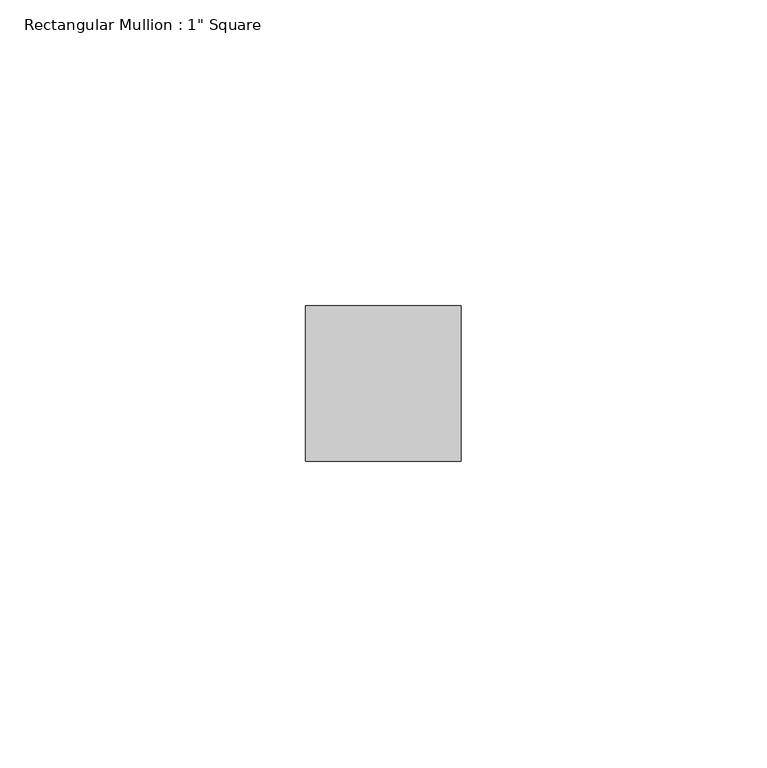
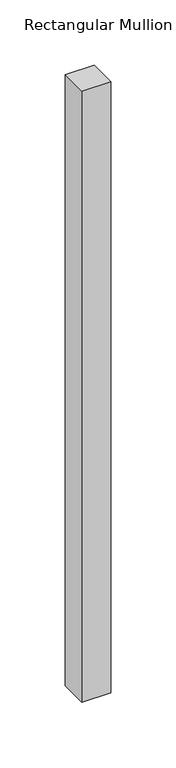
"""IFC4 building model written with IfcOpenShell, lengths in millimetres: member geometry."""

import ifcopenshell
import ifcopenshell.guid

model = None  # the IFC model being written
_history = None  # IfcOwnerHistory: only IFC2X3 demands one
_inside = {}  # id of a spatial element -> (the spatial element, [elements in it])
_under = {}  # id of a project, library or spatial element -> (it, [spatial elements below it])
_declared = {}  # id of a project -> (the project, [libraries it declares])
_typed = {}  # id of a type object -> (the type object, [elements of that type])
_made_of = {}  # id of a material, layer set ... -> (it, [elements and type objects made of it])


def new_model(schema):
    """Start an empty IFC model of exactly this schema.

    Asked for "IFC4X3", IfcOpenShell would pick the latest addendum, in which some entities
    have other attributes; the version numbers below select the first issue.
    IFC2X3 requires an IfcOwnerHistory on every rooted entity: one is made here for all.
    """
    global model, _history
    if schema == "IFC4X3":
        model = ifcopenshell.file(schema_version=(4, 3, 0, 0))
    else:
        model = ifcopenshell.file(schema=schema)
    _inside.clear()
    _under.clear()
    _declared.clear()
    _typed.clear()
    _made_of.clear()
    _history = None
    if model.schema == "IFC2X3":
        org = make("IfcOrganization", Name="unknown")
        user = make(
            "IfcPersonAndOrganization",
            ThePerson=make("IfcPerson", FamilyName="unknown"),
            TheOrganization=org,
        )
        app = make(
            "IfcApplication",
            ApplicationDeveloper=org,
            Version="unknown",
            ApplicationFullName="unknown",
            ApplicationIdentifier="unknown",
        )
        _history = make(
            "IfcOwnerHistory",
            OwningUser=user,
            OwningApplication=app,
            ChangeAction="ADDED",
            CreationDate=0,
        )
    return model


def make(cls, **values):
    """One entity of the class cls with the attributes given. An attribute that is None is left unset."""
    return model.create_entity(
        cls, **{name: value for name, value in values.items() if value is not None}
    )


def rooted(cls, **values):
    """An entity with a GlobalId (a new one), such as an element, a storey or a relation."""
    return make(cls, GlobalId=ifcopenshell.guid.new(), OwnerHistory=_history, **values)


def si_unit(unit_type, name, prefix=None):
    """IfcSIUnit, for example si_unit("LENGTHUNIT", "METRE", prefix="MILLI")."""
    return make("IfcSIUnit", UnitType=unit_type, Prefix=prefix, Name=name)


def assignment(units):
    """IfcUnitAssignment: the units of a project."""
    return None if units is None else make("IfcUnitAssignment", Units=units)


def point(xyz):
    """IfcCartesianPoint."""
    return None if xyz is None else make("IfcCartesianPoint", Coordinates=xyz)


def direction(xyz):
    """IfcDirection."""
    return None if xyz is None else make("IfcDirection", DirectionRatios=xyz)


def frame(location, z_axis=None, x_axis=None):
    """IfcAxis2Placement3D, a coordinate frame: its origin and axes. An axis left out is left unset."""
    return make(
        "IfcAxis2Placement3D",
        Location=point(location),
        Axis=direction(z_axis),
        RefDirection=direction(x_axis),
    )


def origin():
    """The frame at (0, 0, 0) with its axes left unset."""
    return frame((0.0, 0.0, 0.0))


def place(relative_to, where):
    """IfcLocalPlacement: puts the frame where relative to a parent placement (None: the world)."""
    return make(
        "IfcLocalPlacement", PlacementRelTo=relative_to, RelativePlacement=where
    )


def context(
    kind, dimensions, precision=None, world=None, true_north=None, identifier=None
):
    """IfcGeometricRepresentationContext, for example the 3D "Model" context."""
    return make(
        "IfcGeometricRepresentationContext",
        ContextIdentifier=identifier,
        ContextType=kind,
        CoordinateSpaceDimension=dimensions,
        Precision=precision,
        WorldCoordinateSystem=world,
        TrueNorth=true_north,
    )


def project(units=None, contexts=None):
    """IfcProject with its units and contexts."""
    return rooted(
        "IfcProject",
        Name="project",
        RepresentationContexts=contexts,
        UnitsInContext=assignment(units),
    )


def spatial(cls, under=None, at=None, **own):
    """A site, building, storey or space (cls), placed at a placement, below another one or the project."""
    s = rooted(cls, ObjectPlacement=at, **own)
    if under is not None:
        _under.setdefault(under.id(), (under, []))[1].append(s)
    return s


def polyline(points):
    """IfcPolyline through the points."""
    return make("IfcPolyline", Points=[point(p) for p in points])


def outline(outer, holes=None, kind="AREA"):
    """IfcArbitraryClosedProfileDef: a profile drawn as a closed curve; with holes, ...WithVoids."""
    if holes is None:
        return make("IfcArbitraryClosedProfileDef", ProfileType=kind, OuterCurve=outer)
    return make(
        "IfcArbitraryProfileDefWithVoids",
        ProfileType=kind,
        OuterCurve=outer,
        InnerCurves=holes,
    )


def extrude(swept, where, along, depth):
    """IfcExtrudedAreaSolid: the profile swept, set in the frame where, extruded along a direction by depth."""
    return make(
        "IfcExtrudedAreaSolid",
        SweptArea=swept,
        Position=where,
        ExtrudedDirection=direction(along),
        Depth=depth,
    )


def shape(context_of_items, identifier, shape_type, items):
    """IfcShapeRepresentation: the items that make up one representation, for example the "Body"."""
    return make(
        "IfcShapeRepresentation",
        ContextOfItems=context_of_items,
        RepresentationIdentifier=identifier,
        RepresentationType=shape_type,
        Items=items,
    )


def source(mapping_origin, context_of_items, identifier, shape_type, items):
    """IfcRepresentationMap: a shape defined once, which mapped items show again and again."""
    return make(
        "IfcRepresentationMap",
        MappingOrigin=mapping_origin,
        MappedRepresentation=shape(context_of_items, identifier, shape_type, items),
    )


def transform(
    local_origin,
    x_axis=None,
    y_axis=None,
    z_axis=None,
    scale=None,
    scale2=None,
    scale3=None,
    uniform=True,
):
    """IfcCartesianTransformationOperator3D, or its non-uniform kind. x_axis, y_axis, z_axis: its Axis1, 2, 3."""
    if uniform:
        return make(
            "IfcCartesianTransformationOperator3D",
            Axis1=direction(x_axis),
            Axis2=direction(y_axis),
            LocalOrigin=point(local_origin),
            Scale=scale,
            Axis3=direction(z_axis),
        )
    return make(
        "IfcCartesianTransformationOperator3DnonUniform",
        Axis1=direction(x_axis),
        Axis2=direction(y_axis),
        LocalOrigin=point(local_origin),
        Scale=scale,
        Axis3=direction(z_axis),
        Scale2=scale2,
        Scale3=scale3,
    )


def mapped(mapping_source, mapping_target):
    """IfcMappedItem: shows the shape of a source again, moved by a transform."""
    return make(
        "IfcMappedItem", MappingSource=mapping_source, MappingTarget=mapping_target
    )


def made_of(thing, what):
    """Note that an element or type object is made of a material, layer set ...; save() writes the relation."""
    if what is not None:
        _made_of.setdefault(what.id(), (what, []))[1].append(thing)
    return thing


def element(
    cls,
    number,
    at=None,
    inside=None,
    cuts=None,
    type_object=None,
    material=None,
    context=None,
    identifier="Body",
    shape_type=None,
    held_by="IfcProductDefinitionShape",
    body=None,
    shapes=None,
    **own,
):
    """One element of the class cls, such as IfcWall. Its Tag is "e" and its number.

    at: its placement. inside: the storey or other place that contains it. cuts: it is an
    opening in that element (IfcRelVoidsElement). A single representation is given by context,
    identifier, shape_type and body (its items); several are given by shapes. held_by: the class
    of the entity that holds the representations. save() writes the other relations.
    """
    e = rooted(cls, Tag="e%d" % number, ObjectPlacement=at, **own)
    if body is not None:
        shapes = [shape(context, identifier, shape_type, body)]
    if shapes is not None:
        e.Representation = make(held_by, Representations=shapes)
    if inside is not None:
        _inside.setdefault(inside.id(), (inside, []))[1].append(e)
    if cuts is not None:
        rooted(
            "IfcRelVoidsElement", RelatingBuildingElement=cuts, RelatedOpeningElement=e
        )
    if type_object is not None:
        _typed.setdefault(type_object.id(), (type_object, []))[1].append(e)
    return made_of(e, material)


def aggregate(whole, parts):
    """IfcRelAggregates: a whole, such as a stair, and the parts it consists of."""
    return rooted("IfcRelAggregates", RelatingObject=whole, RelatedObjects=parts)


def save(model, path):
    """Write the relations noted so far, then the file.

    IfcRelAggregates (storeys below a building ...), IfcRelContainedInSpatialStructure (elements
    in a storey), IfcRelDefinesByType, IfcRelAssociatesMaterial and IfcRelDeclares: one each for
    every whole, place, type object, material and project.
    """
    for whole, parts in _under.values():
        aggregate(whole, parts)
    for where, things in _inside.values():
        rooted(
            "IfcRelContainedInSpatialStructure",
            RelatedElements=things,
            RelatingStructure=where,
        )
    for kind, things in _typed.values():
        rooted("IfcRelDefinesByType", RelatedObjects=things, RelatingType=kind)
    for what, things in _made_of.values():
        rooted("IfcRelAssociatesMaterial", RelatedObjects=things, RelatingMaterial=what)
    for by, libraries in _declared.values():
        rooted("IfcRelDeclares", RelatingContext=by, RelatedDefinitions=libraries)
    model.write(path)


def member_030db1c4(model_context):
    return source(origin(), model_context, "Body", "SweptSolid", [
        extrude(outline(polyline([(0.0, 12.7), (0.0, -12.7), (-25.4, -12.7), (-25.4, 12.7), (0.0, 12.7)])), frame((0.0, 0.0, -571.5), z_axis=(0.0, 0.0, 1.0), x_axis=(1.0, 0.0, 0.0)), (0.0, 0.0, 1.0), 571.5),
    ])


if __name__ == "__main__":
    model = new_model("IFC4")
    model_context = context("Model", 3, world=origin())
    ifc_project = project(units=[si_unit("LENGTHUNIT", "METRE", prefix="MILLI")], contexts=[model_context])
    site = spatial("IfcSite", under=ifc_project)
    building = spatial("IfcBuilding", under=site)
    placement = place(None, origin())
    member_shape = member_030db1c4(model_context)
    element("IfcMember", 1, ObjectType="Rectangular Mullion : 1\" Square", at=placement, inside=building, context=model_context, shape_type="MappedRepresentation", body=[
        mapped(member_shape, transform((0.0, 0.0, 0.0), x_axis=(1.0, 0.0, 0.0), y_axis=(0.0, 1.0, 0.0), z_axis=(0.0, 0.0, 1.0))),
    ])
    save(model, "model.ifc")
